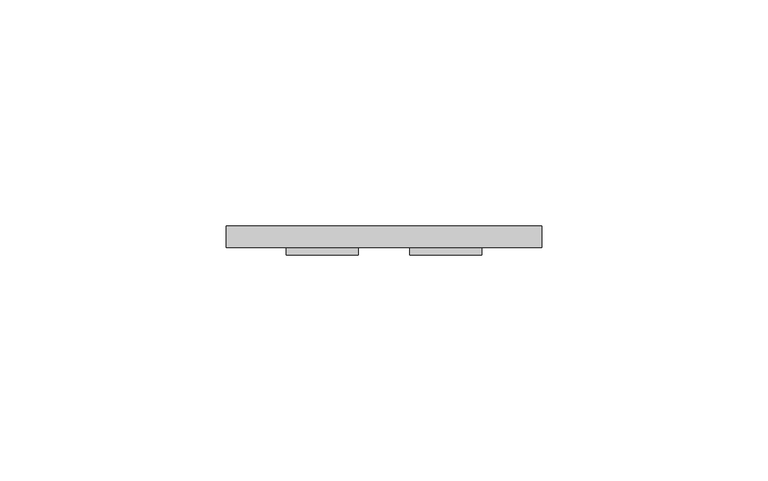
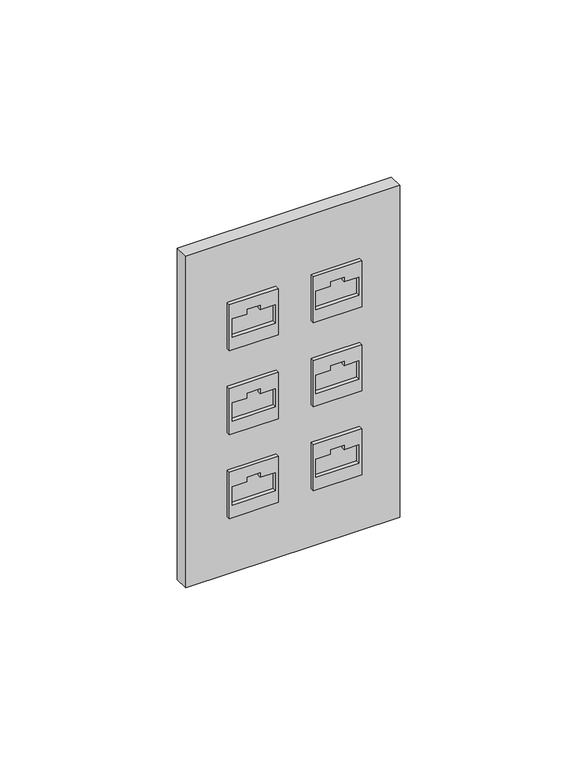
"""IFC4 building model written with IfcOpenShell, lengths in millimetres: proxy geometry."""

from ifc_helpers import new_model, si_unit, frame, origin, origin_with_axes, place, context, project, spatial, polyline, outline, extrude, source, transform, mapped, element, save


def specialty_equipment_f09eaa74(model_context):
    return source(origin(), model_context, "Body", "SweptSolid", [
        extrude(outline(polyline([(34.925, -4.7625), (-34.925, -4.7625), (-34.925, 0.0), (34.925, 0.0), (34.925, -4.7625)])), origin_with_axes(), (0.0, 0.0, 1.0), 114.3),
        extrude(outline(polyline([(94.009304, -21.6013392), (78.134304, -21.6013392), (78.134304, -5.7263392), (94.009304, -5.7263392), (94.009304, -21.6013392)]), holes=[polyline([(88.7443927, -11.4485466), (88.7443927, -6.5887405), (82.4400552, -6.5887405), (82.4400552, -20.6336946), (88.7443927, -20.6336946), (88.7443927, -15.8337141), (90.3318927, -15.8337141), (90.3318927, -11.4485466), (88.7443927, -11.4485466)])]), frame((0.0, -6.4502738, 0.0), z_axis=(0.0, 1.0, 0.0), x_axis=(0.0, 0.0, 1.0)), (0.0, 0.0, 1.0), 6.35),
        extrude(outline(polyline([(94.009304, 21.6013392), (94.009304, 5.7263392), (78.134304, 5.7263392), (78.134304, 21.6013392), (94.009304, 21.6013392)]), holes=[polyline([(82.4400552, 6.5887405), (88.7443927, 6.5887405), (88.7443927, 11.4485466), (90.3318927, 11.4485466), (90.3318927, 15.8337141), (88.7443927, 15.8337141), (88.7443927, 20.6336946), (82.4400552, 20.6336946), (82.4400552, 6.5887405)])]), frame((0.0, -6.4502738, 0.0), z_axis=(0.0, 1.0, 0.0), x_axis=(0.0, 0.0, 1.0)), (0.0, 0.0, 1.0), 6.35),
        extrude(outline(polyline([(65.0875, 21.6013392), (65.0875, 5.7263392), (49.2125, 5.7263392), (49.2125, 21.6013392), (65.0875, 21.6013392)]), holes=[polyline([(53.5182511, 6.5887405), (59.8225887, 6.5887405), (59.8225887, 11.4485466), (61.4100887, 11.4485466), (61.4100887, 15.8337141), (59.8225887, 15.8337141), (59.8225887, 20.6336946), (53.5182511, 20.6336946), (53.5182511, 6.5887405)])]), frame((0.0, -6.4502738, 0.0), z_axis=(0.0, 1.0, 0.0), x_axis=(0.0, 0.0, 1.0)), (0.0, 0.0, 1.0), 6.35),
        extrude(outline(polyline([(65.0875, -21.6013392), (49.2125, -21.6013392), (49.2125, -5.7263392), (65.0875, -5.7263392), (65.0875, -21.6013392)]), holes=[polyline([(59.8225887, -11.4485466), (59.8225887, -6.5887405), (53.5182511, -6.5887405), (53.5182511, -20.6336946), (59.8225887, -20.6336946), (59.8225887, -15.8337141), (61.4100887, -15.8337141), (61.4100887, -11.4485466), (59.8225887, -11.4485466)])]), frame((0.0, -6.4502738, 0.0), z_axis=(0.0, 1.0, 0.0), x_axis=(0.0, 0.0, 1.0)), (0.0, 0.0, 1.0), 6.35),
        extrude(outline(polyline([(36.165696, -21.6013392), (20.290696, -21.6013392), (20.290696, -5.7263392), (36.165696, -5.7263392), (36.165696, -21.6013392)]), holes=[polyline([(30.9007846, -11.4485466), (30.9007846, -6.5887405), (24.5964471, -6.5887405), (24.5964471, -20.6336946), (30.9007846, -20.6336946), (30.9007846, -15.8337141), (32.4882846, -15.8337141), (32.4882846, -11.4485466), (30.9007846, -11.4485466)])]), frame((0.0, -6.4502738, 0.0), z_axis=(0.0, 1.0, 0.0), x_axis=(0.0, 0.0, 1.0)), (0.0, 0.0, 1.0), 6.35),
        extrude(outline(polyline([(36.165696, 21.6013392), (36.165696, 5.7263392), (20.290696, 5.7263392), (20.290696, 21.6013392), (36.165696, 21.6013392)]), holes=[polyline([(24.5964471, 6.5887405), (30.9007846, 6.5887405), (30.9007846, 11.4485466), (32.4882846, 11.4485466), (32.4882846, 15.8337141), (30.9007846, 15.8337141), (30.9007846, 20.6336946), (24.5964471, 20.6336946), (24.5964471, 6.5887405)])]), frame((0.0, -6.4502738, 0.0), z_axis=(0.0, 1.0, 0.0), x_axis=(0.0, 0.0, 1.0)), (0.0, 0.0, 1.0), 6.35),
    ])


if __name__ == "__main__":
    model = new_model("IFC4")
    model_context = context("Model", 3, world=origin())
    ifc_project = project(units=[si_unit("LENGTHUNIT", "METRE", prefix="MILLI")], contexts=[model_context])
    site = spatial("IfcSite", under=ifc_project)
    building = spatial("IfcBuilding", under=site)
    placement = place(None, origin())
    specialty_equipment_shape = specialty_equipment_f09eaa74(model_context)
    element("IfcBuildingElementProxy", 1, Name="Specialty Equipment", at=placement, inside=building, context=model_context, shape_type="MappedRepresentation", body=[
        mapped(specialty_equipment_shape, transform((0.0, 0.0, 0.0), x_axis=(1.0, 0.0, 0.0), y_axis=(0.0, 1.0, 0.0), z_axis=(0.0, 0.0, 1.0))),
    ])
    save(model, "model.ifc")
